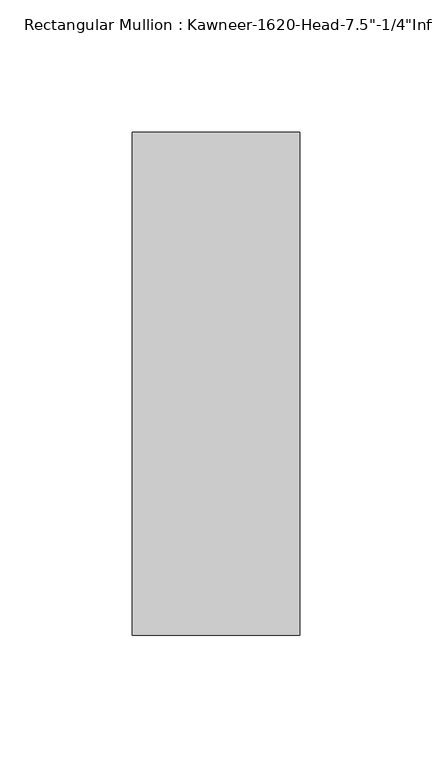
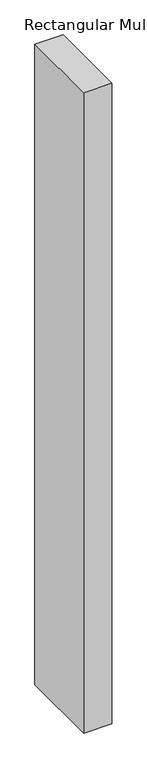
"""IFC4 building model written with IfcOpenShell, lengths in millimetres: member geometry."""

from ifc_helpers import new_model, si_unit, frame, origin, place, context, project, spatial, polyline, outline, extrude, source, transform, mapped, element, save


def member_07711613(model_context):
    return source(origin(), model_context, "Body", "SweptSolid", [
        extrude(outline(polyline([(-22.225, 28.575), (41.275, 28.575), (41.275, -161.925), (-22.225, -161.925), (-22.225, 28.575)])), frame((0.0, 0.0, -1524.0), z_axis=(0.0, 0.0, 1.0), x_axis=(1.0, 0.0, 0.0)), (0.0, 0.0, 1.0), 1524.0),
    ])


if __name__ == "__main__":
    model = new_model("IFC4")
    model_context = context("Model", 3, world=origin())
    ifc_project = project(units=[si_unit("LENGTHUNIT", "METRE", prefix="MILLI")], contexts=[model_context])
    site = spatial("IfcSite", under=ifc_project)
    building = spatial("IfcBuilding", under=site)
    placement = place(None, origin())
    member_shape = member_07711613(model_context)
    element("IfcMember", 1, ObjectType="Rectangular Mullion : Kawneer-1620-Head-7.5\"-1/4\"Infill-1C", at=placement, inside=building, context=model_context, shape_type="MappedRepresentation", body=[
        mapped(member_shape, transform((0.0, 0.0, 0.0), x_axis=(1.0, 0.0, 0.0), y_axis=(0.0, 1.0, 0.0), z_axis=(0.0, 0.0, 1.0))),
    ])
    save(model, "model.ifc")
